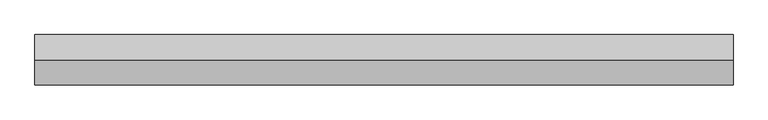
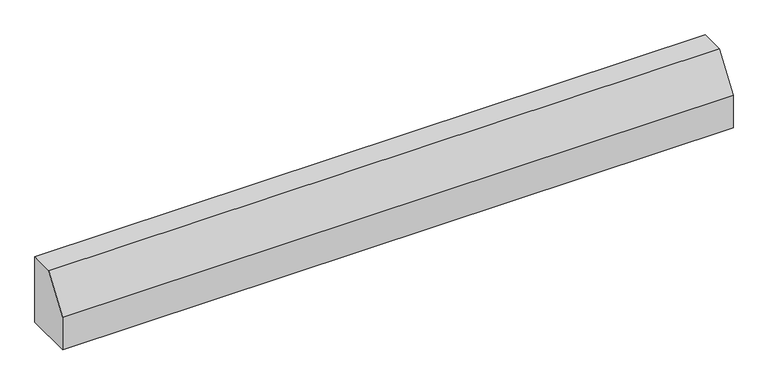
"""IFC4 building model written with IfcOpenShell, lengths in millimetres: proxy geometry."""

from ifc_helpers import new_model, si_unit, frame, origin, place, context, project, spatial, polyline, outline, extrude, source, transform, mapped, element, save


def generic_models_60715277(model_context):
    return source(origin(), model_context, "Body", "SweptSolid", [
        extrude(outline(polyline([(6412.8552788, 8500.0), (6762.8552788, 8500.0), (6762.8552788, 7500.0), (6062.8552788, 7500.0), (6062.8552788, 8000.0), (6412.8552788, 8500.0)])), frame((-4869.5663535, 0.0, 0.0), z_axis=(1.0, 0.0, 0.0), x_axis=(0.0, 1.0, 0.0)), (0.0, 0.0, 1.0), 9738.4547049),
    ])


if __name__ == "__main__":
    model = new_model("IFC4")
    model_context = context("Model", 3, world=origin())
    ifc_project = project(units=[si_unit("LENGTHUNIT", "METRE", prefix="MILLI")], contexts=[model_context])
    site = spatial("IfcSite", under=ifc_project)
    building = spatial("IfcBuilding", under=site)
    placement = place(None, origin())
    generic_models_shape = generic_models_60715277(model_context)
    element("IfcBuildingElementProxy", 1, Name="Generic Models", at=placement, inside=building, context=model_context, shape_type="MappedRepresentation", body=[
        mapped(generic_models_shape, transform((0.0, 0.0, 0.0), x_axis=(1.0, 0.0, 0.0), y_axis=(0.0, 1.0, 0.0), z_axis=(0.0, 0.0, 1.0))),
    ])
    save(model, "model.ifc")
